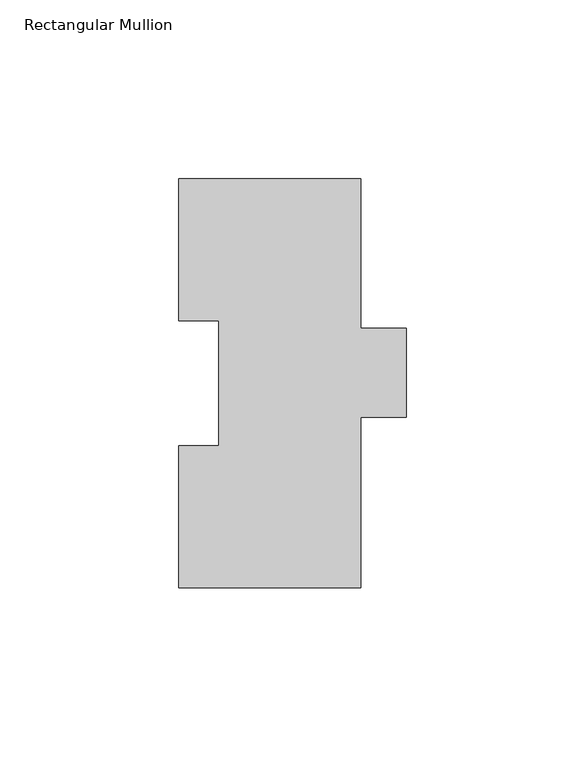
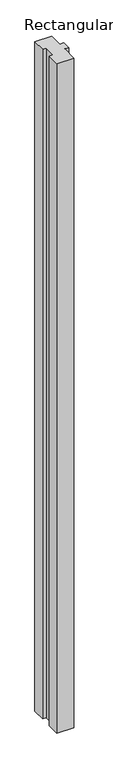
"""IFC4 building model written with IfcOpenShell, lengths in millimetres: member geometry, Rectangular Mullion."""

import ifcopenshell
import ifcopenshell.guid

model = None  # the IFC model being written
_history = None  # IfcOwnerHistory: only IFC2X3 demands one
_inside = {}  # id of a spatial element -> (the spatial element, [elements in it])
_under = {}  # id of a project, library or spatial element -> (it, [spatial elements below it])
_declared = {}  # id of a project -> (the project, [libraries it declares])
_typed = {}  # id of a type object -> (the type object, [elements of that type])
_made_of = {}  # id of a material, layer set ... -> (it, [elements and type objects made of it])


def new_model(schema):
    """Start an empty IFC model of exactly this schema.

    Asked for "IFC4X3", IfcOpenShell would pick the latest addendum, in which some entities
    have other attributes; the version numbers below select the first issue.
    IFC2X3 requires an IfcOwnerHistory on every rooted entity: one is made here for all.
    """
    global model, _history
    if schema == "IFC4X3":
        model = ifcopenshell.file(schema_version=(4, 3, 0, 0))
    else:
        model = ifcopenshell.file(schema=schema)
    _inside.clear()
    _under.clear()
    _declared.clear()
    _typed.clear()
    _made_of.clear()
    _history = None
    if model.schema == "IFC2X3":
        org = make("IfcOrganization", Name="unknown")
        user = make(
            "IfcPersonAndOrganization",
            ThePerson=make("IfcPerson", FamilyName="unknown"),
            TheOrganization=org,
        )
        app = make(
            "IfcApplication",
            ApplicationDeveloper=org,
            Version="unknown",
            ApplicationFullName="unknown",
            ApplicationIdentifier="unknown",
        )
        _history = make(
            "IfcOwnerHistory",
            OwningUser=user,
            OwningApplication=app,
            ChangeAction="ADDED",
            CreationDate=0,
        )
    return model


def make(cls, **values):
    """One entity of the class cls with the attributes given. An attribute that is None is left unset."""
    return model.create_entity(
        cls, **{name: value for name, value in values.items() if value is not None}
    )


def rooted(cls, **values):
    """An entity with a GlobalId (a new one), such as an element, a storey or a relation."""
    return make(cls, GlobalId=ifcopenshell.guid.new(), OwnerHistory=_history, **values)


def si_unit(unit_type, name, prefix=None):
    """IfcSIUnit, for example si_unit("LENGTHUNIT", "METRE", prefix="MILLI")."""
    return make("IfcSIUnit", UnitType=unit_type, Prefix=prefix, Name=name)


def assignment(units):
    """IfcUnitAssignment: the units of a project."""
    return None if units is None else make("IfcUnitAssignment", Units=units)


def point(xyz):
    """IfcCartesianPoint."""
    return None if xyz is None else make("IfcCartesianPoint", Coordinates=xyz)


def direction(xyz):
    """IfcDirection."""
    return None if xyz is None else make("IfcDirection", DirectionRatios=xyz)


def frame(location, z_axis=None, x_axis=None):
    """IfcAxis2Placement3D, a coordinate frame: its origin and axes. An axis left out is left unset."""
    return make(
        "IfcAxis2Placement3D",
        Location=point(location),
        Axis=direction(z_axis),
        RefDirection=direction(x_axis),
    )


def origin():
    """The frame at (0, 0, 0) with its axes left unset."""
    return frame((0.0, 0.0, 0.0))


def place(relative_to, where):
    """IfcLocalPlacement: puts the frame where relative to a parent placement (None: the world)."""
    return make(
        "IfcLocalPlacement", PlacementRelTo=relative_to, RelativePlacement=where
    )


def context(
    kind, dimensions, precision=None, world=None, true_north=None, identifier=None
):
    """IfcGeometricRepresentationContext, for example the 3D "Model" context."""
    return make(
        "IfcGeometricRepresentationContext",
        ContextIdentifier=identifier,
        ContextType=kind,
        CoordinateSpaceDimension=dimensions,
        Precision=precision,
        WorldCoordinateSystem=world,
        TrueNorth=true_north,
    )


def project(units=None, contexts=None):
    """IfcProject with its units and contexts."""
    return rooted(
        "IfcProject",
        Name="project",
        RepresentationContexts=contexts,
        UnitsInContext=assignment(units),
    )


def spatial(cls, under=None, at=None, **own):
    """A site, building, storey or space (cls), placed at a placement, below another one or the project."""
    s = rooted(cls, ObjectPlacement=at, **own)
    if under is not None:
        _under.setdefault(under.id(), (under, []))[1].append(s)
    return s


def polyline(points):
    """IfcPolyline through the points."""
    return make("IfcPolyline", Points=[point(p) for p in points])


def outline(outer, holes=None, kind="AREA"):
    """IfcArbitraryClosedProfileDef: a profile drawn as a closed curve; with holes, ...WithVoids."""
    if holes is None:
        return make("IfcArbitraryClosedProfileDef", ProfileType=kind, OuterCurve=outer)
    return make(
        "IfcArbitraryProfileDefWithVoids",
        ProfileType=kind,
        OuterCurve=outer,
        InnerCurves=holes,
    )


def extrude(swept, where, along, depth):
    """IfcExtrudedAreaSolid: the profile swept, set in the frame where, extruded along a direction by depth."""
    return make(
        "IfcExtrudedAreaSolid",
        SweptArea=swept,
        Position=where,
        ExtrudedDirection=direction(along),
        Depth=depth,
    )


def shape(context_of_items, identifier, shape_type, items):
    """IfcShapeRepresentation: the items that make up one representation, for example the "Body"."""
    return make(
        "IfcShapeRepresentation",
        ContextOfItems=context_of_items,
        RepresentationIdentifier=identifier,
        RepresentationType=shape_type,
        Items=items,
    )


def source(mapping_origin, context_of_items, identifier, shape_type, items):
    """IfcRepresentationMap: a shape defined once, which mapped items show again and again."""
    return make(
        "IfcRepresentationMap",
        MappingOrigin=mapping_origin,
        MappedRepresentation=shape(context_of_items, identifier, shape_type, items),
    )


def transform(
    local_origin,
    x_axis=None,
    y_axis=None,
    z_axis=None,
    scale=None,
    scale2=None,
    scale3=None,
    uniform=True,
):
    """IfcCartesianTransformationOperator3D, or its non-uniform kind. x_axis, y_axis, z_axis: its Axis1, 2, 3."""
    if uniform:
        return make(
            "IfcCartesianTransformationOperator3D",
            Axis1=direction(x_axis),
            Axis2=direction(y_axis),
            LocalOrigin=point(local_origin),
            Scale=scale,
            Axis3=direction(z_axis),
        )
    return make(
        "IfcCartesianTransformationOperator3DnonUniform",
        Axis1=direction(x_axis),
        Axis2=direction(y_axis),
        LocalOrigin=point(local_origin),
        Scale=scale,
        Axis3=direction(z_axis),
        Scale2=scale2,
        Scale3=scale3,
    )


def mapped(mapping_source, mapping_target):
    """IfcMappedItem: shows the shape of a source again, moved by a transform."""
    return make(
        "IfcMappedItem", MappingSource=mapping_source, MappingTarget=mapping_target
    )


def made_of(thing, what):
    """Note that an element or type object is made of a material, layer set ...; save() writes the relation."""
    if what is not None:
        _made_of.setdefault(what.id(), (what, []))[1].append(thing)
    return thing


def element(
    cls,
    number,
    at=None,
    inside=None,
    cuts=None,
    type_object=None,
    material=None,
    context=None,
    identifier="Body",
    shape_type=None,
    held_by="IfcProductDefinitionShape",
    body=None,
    shapes=None,
    **own,
):
    """One element of the class cls, such as IfcWall. Its Tag is "e" and its number.

    at: its placement. inside: the storey or other place that contains it. cuts: it is an
    opening in that element (IfcRelVoidsElement). A single representation is given by context,
    identifier, shape_type and body (its items); several are given by shapes. held_by: the class
    of the entity that holds the representations. save() writes the other relations.
    """
    e = rooted(cls, Tag="e%d" % number, ObjectPlacement=at, **own)
    if body is not None:
        shapes = [shape(context, identifier, shape_type, body)]
    if shapes is not None:
        e.Representation = make(held_by, Representations=shapes)
    if inside is not None:
        _inside.setdefault(inside.id(), (inside, []))[1].append(e)
    if cuts is not None:
        rooted(
            "IfcRelVoidsElement", RelatingBuildingElement=cuts, RelatedOpeningElement=e
        )
    if type_object is not None:
        _typed.setdefault(type_object.id(), (type_object, []))[1].append(e)
    return made_of(e, material)


def aggregate(whole, parts):
    """IfcRelAggregates: a whole, such as a stair, and the parts it consists of."""
    return rooted("IfcRelAggregates", RelatingObject=whole, RelatedObjects=parts)


def save(model, path):
    """Write the relations noted so far, then the file.

    IfcRelAggregates (storeys below a building ...), IfcRelContainedInSpatialStructure (elements
    in a storey), IfcRelDefinesByType, IfcRelAssociatesMaterial and IfcRelDeclares: one each for
    every whole, place, type object, material and project.
    """
    for whole, parts in _under.values():
        aggregate(whole, parts)
    for where, things in _inside.values():
        rooted(
            "IfcRelContainedInSpatialStructure",
            RelatedElements=things,
            RelatingStructure=where,
        )
    for kind, things in _typed.values():
        rooted("IfcRelDefinesByType", RelatedObjects=things, RelatingType=kind)
    for what, things in _made_of.values():
        rooted("IfcRelAssociatesMaterial", RelatedObjects=things, RelatingMaterial=what)
    for by, libraries in _declared.values():
        rooted("IfcRelDeclares", RelatingContext=by, RelatedDefinitions=libraries)
    model.write(path)


def rectangular_mullion_e4890dca(model_context):
    return source(origin(), model_context, "Body", "SweptSolid", [
        extrude(outline(polyline([(-25.4, 114.271425), (25.4, 114.271425), (25.4, 72.564625), (38.1, 72.564625), (38.1, 47.596425), (25.4, 47.596425), (25.4, -0.028575), (-25.4, -0.028575), (-25.4, 39.646225), (-14.2875, 39.646225), (-14.2875, 74.596625), (-25.4, 74.596625), (-25.4, 114.271425)])), frame((0.0, 0.0, -2133.6), z_axis=(0.0, 0.0, 1.0), x_axis=(1.0, 0.0, 0.0)), (0.0, 0.0, 1.0), 2133.6),
    ])


if __name__ == "__main__":
    model = new_model("IFC4")
    model_context = context("Model", 3, world=origin())
    ifc_project = project(units=[si_unit("LENGTHUNIT", "METRE", prefix="MILLI")], contexts=[model_context])
    site = spatial("IfcSite", under=ifc_project)
    building = spatial("IfcBuilding", under=site)
    placement = place(None, origin())
    rectangular_mullion_shape = rectangular_mullion_e4890dca(model_context)
    element("IfcMember", 1, ObjectType="Rectangular Mullion", at=placement, inside=building, context=model_context, shape_type="MappedRepresentation", body=[
        mapped(rectangular_mullion_shape, transform((0.0, 0.0, 0.0), x_axis=(1.0, 0.0, 0.0), y_axis=(0.0, 1.0, 0.0), z_axis=(0.0, 0.0, 1.0))),
    ])
    save(model, "model.ifc")
